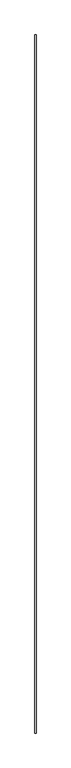
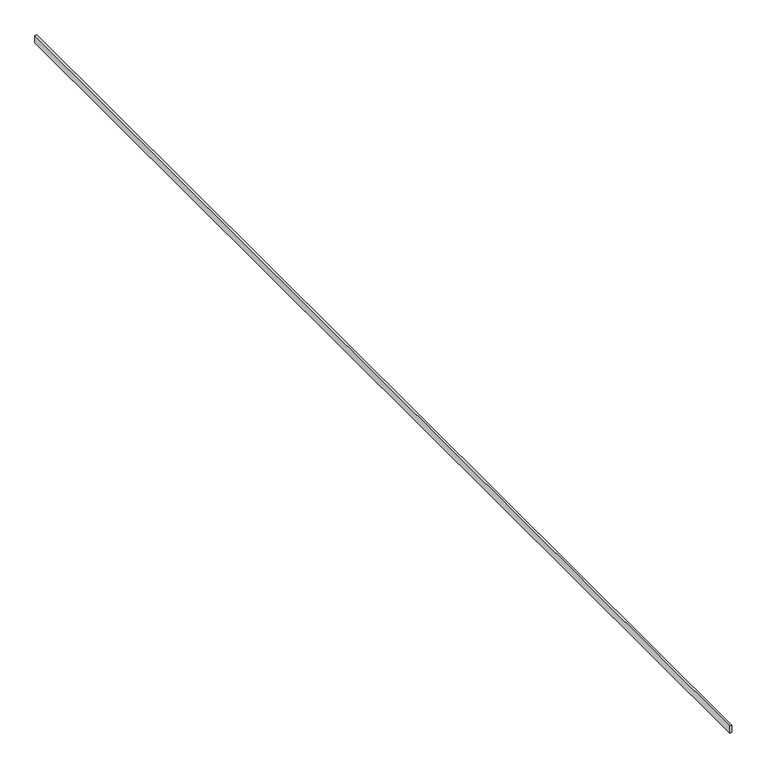
"""IFC4 building model written with IfcOpenShell, lengths in millimetres: railing geometry."""

from ifc_helpers import new_model, si_unit, frame, origin, place, context, project, spatial, polyline, outline, extrude, source, transform, mapped, element, save


def railing_1ec2735f(model_context):
    return source(origin(), model_context, "Body", "SweptSolid", [
        extrude(outline(polyline([(11444.3297172, 31991.7541654), (11434.3297172, 31991.7541654), (11434.3297172, 38282.1389095), (11444.3297172, 38282.1389095), (11444.3297172, 31991.7541654)])), frame((0.0, 0.0, 710.0), z_axis=(0.0, 0.0, 1.0), x_axis=(1.0, 0.0, 0.0)), (0.0, 0.0, 1.0), 40.0),
    ])


if __name__ == "__main__":
    model = new_model("IFC4")
    model_context = context("Model", 3, world=origin())
    ifc_project = project(units=[si_unit("LENGTHUNIT", "METRE", prefix="MILLI")], contexts=[model_context])
    site = spatial("IfcSite", under=ifc_project)
    building = spatial("IfcBuilding", under=site)
    placement = place(None, origin())
    railing_shape = railing_1ec2735f(model_context)
    element("IfcRailing", 1, at=placement, inside=building, context=model_context, shape_type="MappedRepresentation", body=[
        mapped(railing_shape, transform((0.0, 0.0, 0.0), x_axis=(1.0, 0.0, 0.0), y_axis=(0.0, 1.0, 0.0), z_axis=(0.0, 0.0, 1.0))),
    ])
    save(model, "model.ifc")
